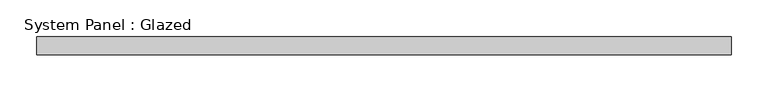
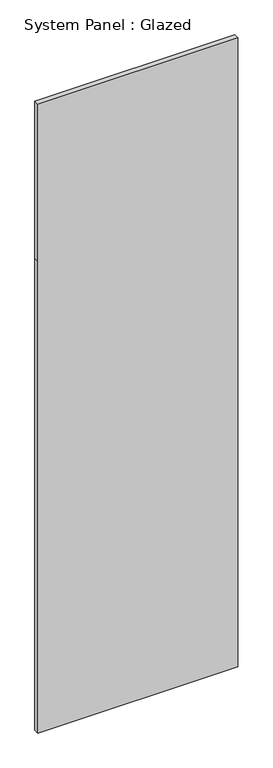
"""IFC4 building model written with IfcOpenShell, lengths in millimetres: plate geometry, System Panel : Glazed."""

from ifc_helpers import new_model, si_unit, frame, origin, place, context, project, spatial, polyline, outline, extrude, source, transform, mapped, element, save


def system_panel_glazed_831b649c(model_context):
    return source(origin(), model_context, "Body", "SweptSolid", [
        extrude(outline(polyline([(0.0, -475.0), (0.0, 475.0), (2370.0, 475.0), (3160.0, 475.0), (3160.0, -475.0), (2370.0, -475.0), (0.0, -475.0)])), frame((0.0, -37.5, 0.0), z_axis=(0.0, 1.0, 0.0), x_axis=(0.0, 0.0, 1.0)), (0.0, 0.0, 1.0), 25.0),
    ])


if __name__ == "__main__":
    model = new_model("IFC4")
    model_context = context("Model", 3, world=origin())
    ifc_project = project(units=[si_unit("LENGTHUNIT", "METRE", prefix="MILLI")], contexts=[model_context])
    site = spatial("IfcSite", under=ifc_project)
    building = spatial("IfcBuilding", under=site)
    placement = place(None, origin())
    system_panel_glazed_shape = system_panel_glazed_831b649c(model_context)
    element("IfcPlate", 1, ObjectType="System Panel : Glazed", at=placement, inside=building, context=model_context, shape_type="MappedRepresentation", body=[
        mapped(system_panel_glazed_shape, transform((0.0, 0.0, 0.0), x_axis=(1.0, 0.0, 0.0), y_axis=(0.0, 1.0, 0.0), z_axis=(0.0, 0.0, 1.0))),
    ])
    save(model, "model.ifc")
